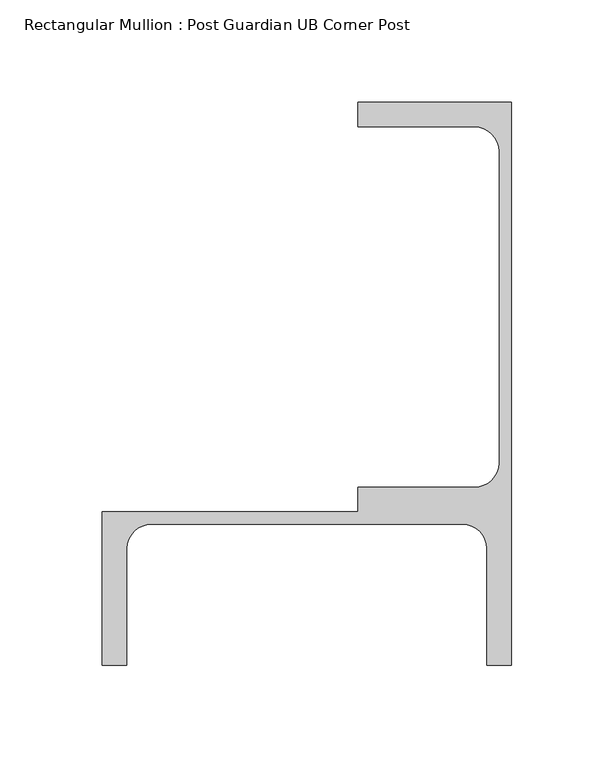
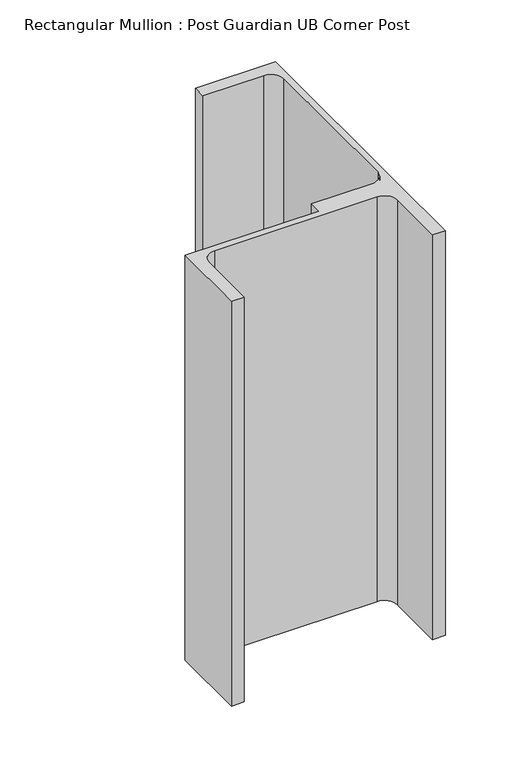
"""IFC4 building model written with IfcOpenShell, lengths in millimetres: member geometry, Rectangular Mullion : Post Guardian UB Corner Post."""

from ifc_helpers import new_model, si_unit, point, frame, frame_2d, origin, place, context, project, spatial, polyline, circle_curve, trimmed, segment, composite_curve, outline, extrude, source, transform, mapped, element, save


def rectangular_mullion_post_guardian_ub_corner_post_b190efc8(model_context):
    return source(origin(), model_context, "Body", "SweptSolid", [
        extrude(outline(composite_curve([segment(trimmed(circle_curve(frame_2d((-17.999991, 76.000009)), 11.999991), [point((-6.0, 76.000009))], [point((-17.999991, 88.0))], True, "CARTESIAN"), True, "CONTINUOUS"), segment(polyline([(-17.999991, 88.0), (-75.0, 88.0), (-75.0, 100.0), (0.0, 100.0), (0.0, -100.0), (0.0, -175.0), (-12.0, -175.0), (-12.0, -117.999991)]), True, "CONTINUOUS"), segment(trimmed(circle_curve(frame_2d((-23.999991, -117.999991)), 11.999991), [point((-12.0, -117.999991))], [point((-23.999991, -106.0))], True, "CARTESIAN"), True, "CONTINUOUS"), segment(polyline([(-23.999991, -106.0), (-176.000009, -106.0)]), True, "CONTINUOUS"), segment(trimmed(circle_curve(frame_2d((-176.000009, -117.999991)), 11.999991), [point((-176.000009, -106.0))], [point((-188.0, -117.999991))], True, "CARTESIAN"), True, "CONTINUOUS"), segment(polyline([(-188.0, -117.999991), (-188.0, -175.0), (-200.0, -175.0), (-200.0, -100.0), (-75.0, -100.0), (-75.0, -88.0), (-17.999991, -88.0)]), True, "CONTINUOUS"), segment(trimmed(circle_curve(frame_2d((-17.999991, -76.000009)), 11.999991), [point((-17.999991, -88.0))], [point((-6.0, -76.000009))], True, "CARTESIAN"), True, "CONTINUOUS"), segment(polyline([(-6.0, -76.000009), (-6.0, 76.000009)]), True, "CONTINUOUS")], self_intersect=False)), frame((0.0, 0.0, -400.0), z_axis=(0.0, 0.0, 1.0), x_axis=(1.0, 0.0, 0.0)), (0.0, 0.0, 1.0), 400.0),
    ])


if __name__ == "__main__":
    model = new_model("IFC4")
    model_context = context("Model", 3, world=origin())
    ifc_project = project(units=[si_unit("LENGTHUNIT", "METRE", prefix="MILLI")], contexts=[model_context])
    site = spatial("IfcSite", under=ifc_project)
    building = spatial("IfcBuilding", under=site)
    placement = place(None, origin())
    rectangular_mullion_post_guardian_ub_corner_post_shape = rectangular_mullion_post_guardian_ub_corner_post_b190efc8(model_context)
    element("IfcMember", 1, ObjectType="Rectangular Mullion : Post Guardian UB Corner Post", at=placement, inside=building, context=model_context, shape_type="MappedRepresentation", body=[
        mapped(rectangular_mullion_post_guardian_ub_corner_post_shape, transform((0.0, 0.0, 0.0), x_axis=(1.0, 0.0, 0.0), y_axis=(0.0, 1.0, 0.0), z_axis=(0.0, 0.0, 1.0))),
    ])
    save(model, "model.ifc")
